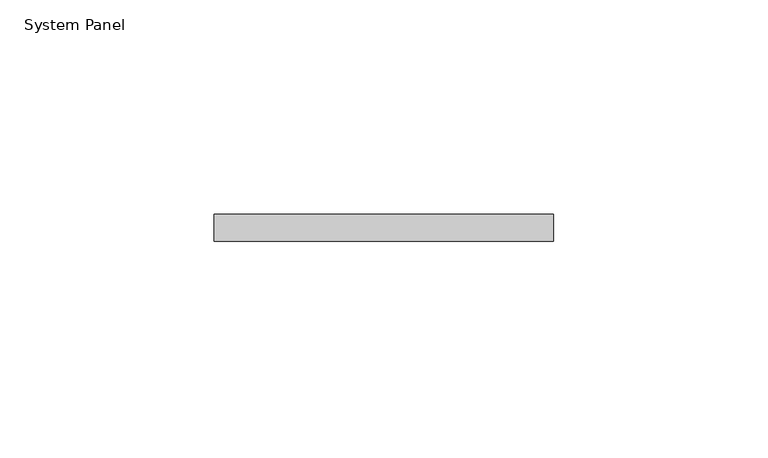
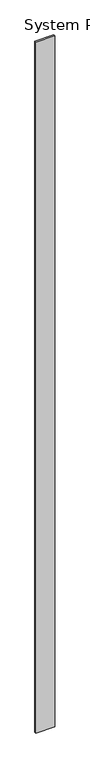
"""IFC4 building model written with IfcOpenShell, lengths in millimetres: plate geometry, System Panel."""

from ifc_helpers import new_model, si_unit, origin, origin_with_axes, place, context, project, spatial, polyline, outline, extrude, source, transform, mapped, element, save


def system_panel_8600776a(model_context):
    return source(origin(), model_context, "Body", "SweptSolid", [
        extrude(outline(polyline([(39.6575665, -6.35), (-39.6575665, -6.35), (-39.6575665, 0.0), (39.6575665, 0.0), (39.6575665, -6.35)])), origin_with_axes(), (0.0, 0.0, 1.0), 3048.0),
    ])


if __name__ == "__main__":
    model = new_model("IFC4")
    model_context = context("Model", 3, world=origin())
    ifc_project = project(units=[si_unit("LENGTHUNIT", "METRE", prefix="MILLI")], contexts=[model_context])
    site = spatial("IfcSite", under=ifc_project)
    building = spatial("IfcBuilding", under=site)
    placement = place(None, origin())
    system_panel_shape = system_panel_8600776a(model_context)
    element("IfcPlate", 1, ObjectType="System Panel", at=placement, inside=building, context=model_context, shape_type="MappedRepresentation", body=[
        mapped(system_panel_shape, transform((0.0, 0.0, 0.0), x_axis=(1.0, 0.0, 0.0), y_axis=(0.0, 1.0, 0.0), z_axis=(0.0, 0.0, 1.0))),
    ])
    save(model, "model.ifc")
